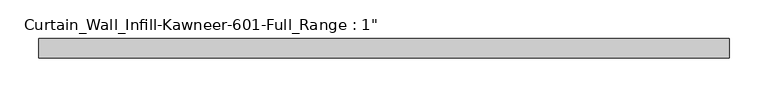
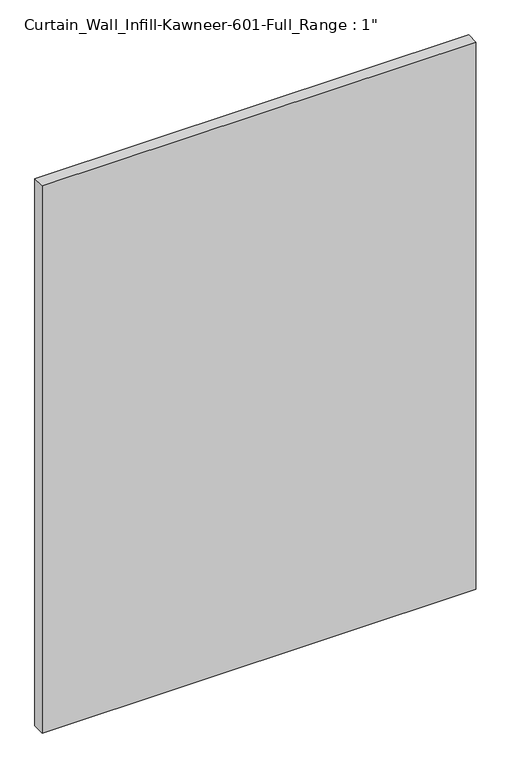
"""IFC4 building model written with IfcOpenShell, lengths in millimetres: plate geometry."""

from ifc_helpers import new_model, si_unit, origin, origin_with_axes, place, context, project, spatial, polyline, outline, extrude, source, transform, mapped, element, save


def plate_c8f12e3d(model_context):
    return source(origin(), model_context, "Body", "SweptSolid", [
        extrude(outline(polyline([(-444.9757381, -12.7), (-444.9757381, 12.7), (444.9757381, 12.7), (444.9757381, -12.7), (-444.9757381, -12.7)])), origin_with_axes(), (0.0, 0.0, 1.0), 1187.45),
    ])


if __name__ == "__main__":
    model = new_model("IFC4")
    model_context = context("Model", 3, world=origin())
    ifc_project = project(units=[si_unit("LENGTHUNIT", "METRE", prefix="MILLI")], contexts=[model_context])
    site = spatial("IfcSite", under=ifc_project)
    building = spatial("IfcBuilding", under=site)
    placement = place(None, origin())
    plate_shape = plate_c8f12e3d(model_context)
    element("IfcPlate", 1, ObjectType="Curtain_Wall_Infill-Kawneer-601-Full_Range : 1\"", at=placement, inside=building, context=model_context, shape_type="MappedRepresentation", body=[
        mapped(plate_shape, transform((0.0, 0.0, 0.0), x_axis=(1.0, 0.0, 0.0), y_axis=(0.0, 1.0, 0.0), z_axis=(0.0, 0.0, 1.0))),
    ])
    save(model, "model.ifc")
